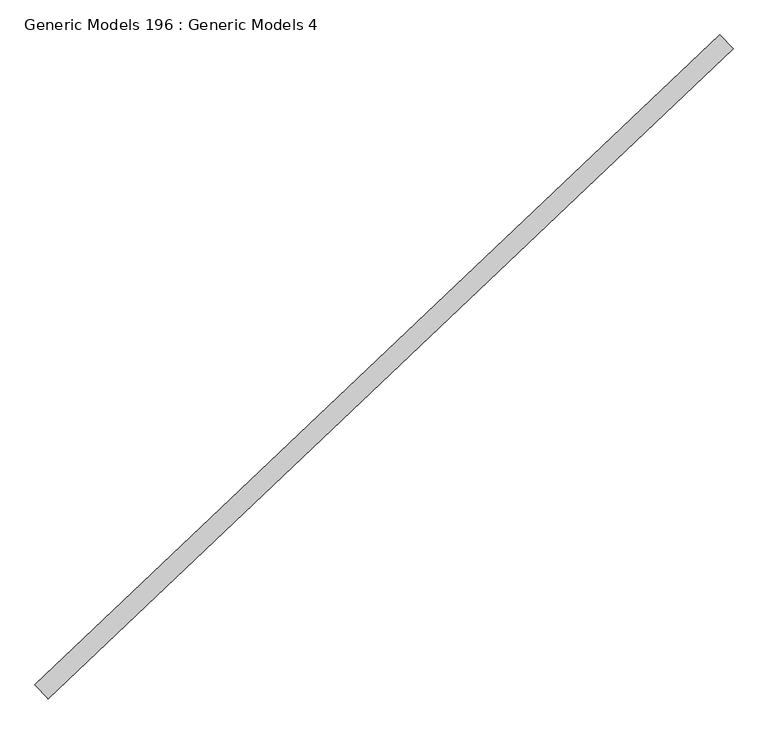
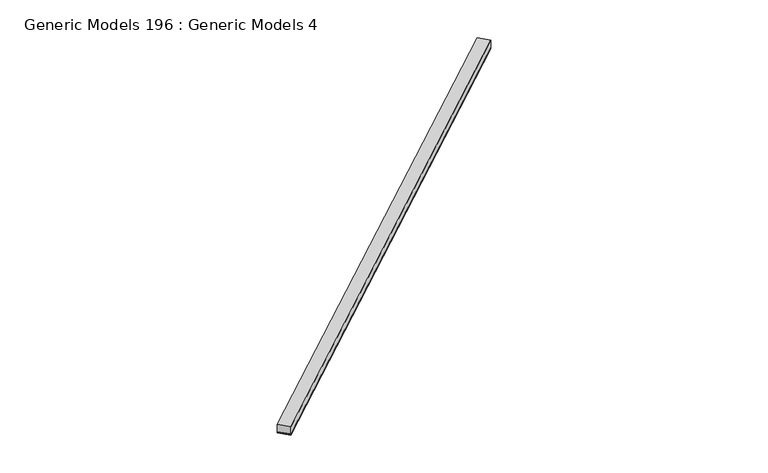
"""IFC4 building model written with IfcOpenShell, lengths in millimetres: proxy geometry, Generic Models 196 : Generic Models 4."""

from ifc_helpers import new_model, si_unit, point, frame, frame_2d, origin, place, context, project, spatial, polyline, circle_curve, trimmed, segment, composite_curve, outline, extrude, source, transform, mapped, element, save


def generic_models_196_generic_models_4_af5eb165(model_context):
    return source(origin(), model_context, "Body", "SweptSolid", [
        extrude(outline(composite_curve([segment(polyline([(92.075, -9.128125), (0.0, -9.128125)]), True, "CONTINUOUS"), segment(trimmed(circle_curve(frame_2d((-4.4149557, -4.5640625)), 6.35), [point((0.0, -9.128125))], [point((0.0, 0.0))], True, "CARTESIAN"), True, "CONTINUOUS"), segment(polyline([(0.0, 0.0), (92.075, 0.0)]), True, "CONTINUOUS"), segment(trimmed(circle_curve(frame_2d((96.4899556, -4.5640625)), 6.35), [point((92.075, 0.0))], [point((92.075, -9.128125))], True, "CARTESIAN"), True, "CONTINUOUS")], self_intersect=False)), frame((99763.4645275, 57298.7606646, 17101.1378084), z_axis=(0.7253743710123147, 0.6883545756937256, 0.0), x_axis=(0.6883545756937256, -0.7253743710123147, 0.0)), (0.0, 0.0, 1.0), 4530.725),
        extrude(outline(polyline([(99826.844775, 57231.9718194), (99763.4645275, 57298.7606646), (103049.9363246, 60417.5059496), (103113.3165721, 60350.7171044), (99826.844775, 57231.9718194)])), frame((0.0, 0.0, 17110.6628084), z_axis=(0.0, 0.0, 1.0), x_axis=(1.0, 0.0, 0.0)), (0.0, 0.0, 1.0), 57.15),
    ])


if __name__ == "__main__":
    model = new_model("IFC4")
    model_context = context("Model", 3, world=origin())
    ifc_project = project(units=[si_unit("LENGTHUNIT", "METRE", prefix="MILLI")], contexts=[model_context])
    site = spatial("IfcSite", under=ifc_project)
    building = spatial("IfcBuilding", under=site)
    placement = place(None, origin())
    generic_models_196_generic_models_4_shape = generic_models_196_generic_models_4_af5eb165(model_context)
    element("IfcBuildingElementProxy", 1, Name="Generic Models 196 : Generic Models 4", ObjectType="Generic Models 196 : Generic Models 4", at=placement, inside=building, context=model_context, shape_type="MappedRepresentation", body=[
        mapped(generic_models_196_generic_models_4_shape, transform((0.0, 0.0, 0.0), x_axis=(1.0, 0.0, 0.0), y_axis=(0.0, 1.0, 0.0), z_axis=(0.0, 0.0, 1.0))),
    ])
    save(model, "model.ifc")
